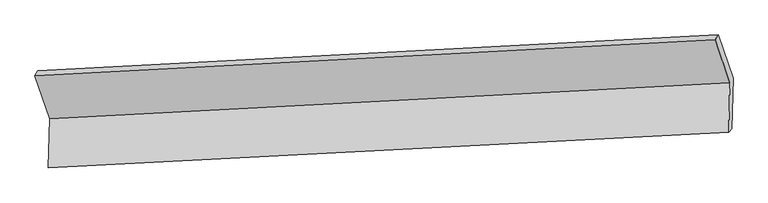
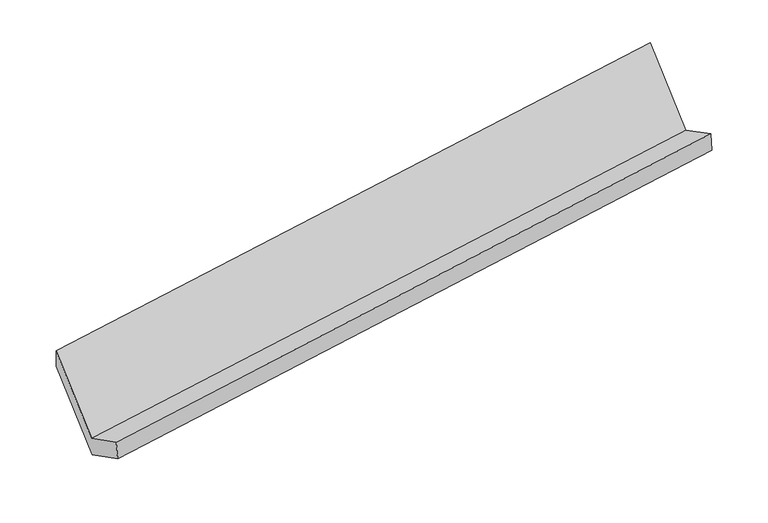
"""IFC4 building model written with IfcOpenShell, lengths in millimetres: proxy geometry."""

import ifcopenshell
import ifcopenshell.guid

model = None  # the IFC model being written
_history = None  # IfcOwnerHistory: only IFC2X3 demands one
_inside = {}  # id of a spatial element -> (the spatial element, [elements in it])
_under = {}  # id of a project, library or spatial element -> (it, [spatial elements below it])
_declared = {}  # id of a project -> (the project, [libraries it declares])
_typed = {}  # id of a type object -> (the type object, [elements of that type])
_made_of = {}  # id of a material, layer set ... -> (it, [elements and type objects made of it])


def new_model(schema):
    """Start an empty IFC model of exactly this schema.

    Asked for "IFC4X3", IfcOpenShell would pick the latest addendum, in which some entities
    have other attributes; the version numbers below select the first issue.
    IFC2X3 requires an IfcOwnerHistory on every rooted entity: one is made here for all.
    """
    global model, _history
    if schema == "IFC4X3":
        model = ifcopenshell.file(schema_version=(4, 3, 0, 0))
    else:
        model = ifcopenshell.file(schema=schema)
    _inside.clear()
    _under.clear()
    _declared.clear()
    _typed.clear()
    _made_of.clear()
    _history = None
    if model.schema == "IFC2X3":
        org = make("IfcOrganization", Name="unknown")
        user = make(
            "IfcPersonAndOrganization",
            ThePerson=make("IfcPerson", FamilyName="unknown"),
            TheOrganization=org,
        )
        app = make(
            "IfcApplication",
            ApplicationDeveloper=org,
            Version="unknown",
            ApplicationFullName="unknown",
            ApplicationIdentifier="unknown",
        )
        _history = make(
            "IfcOwnerHistory",
            OwningUser=user,
            OwningApplication=app,
            ChangeAction="ADDED",
            CreationDate=0,
        )
    return model


def make(cls, **values):
    """One entity of the class cls with the attributes given. An attribute that is None is left unset."""
    return model.create_entity(
        cls, **{name: value for name, value in values.items() if value is not None}
    )


def rooted(cls, **values):
    """An entity with a GlobalId (a new one), such as an element, a storey or a relation."""
    return make(cls, GlobalId=ifcopenshell.guid.new(), OwnerHistory=_history, **values)


def si_unit(unit_type, name, prefix=None):
    """IfcSIUnit, for example si_unit("LENGTHUNIT", "METRE", prefix="MILLI")."""
    return make("IfcSIUnit", UnitType=unit_type, Prefix=prefix, Name=name)


def assignment(units):
    """IfcUnitAssignment: the units of a project."""
    return None if units is None else make("IfcUnitAssignment", Units=units)


def point(xyz):
    """IfcCartesianPoint."""
    return None if xyz is None else make("IfcCartesianPoint", Coordinates=xyz)


def direction(xyz):
    """IfcDirection."""
    return None if xyz is None else make("IfcDirection", DirectionRatios=xyz)


def frame(location, z_axis=None, x_axis=None):
    """IfcAxis2Placement3D, a coordinate frame: its origin and axes. An axis left out is left unset."""
    return make(
        "IfcAxis2Placement3D",
        Location=point(location),
        Axis=direction(z_axis),
        RefDirection=direction(x_axis),
    )


def origin():
    """The frame at (0, 0, 0) with its axes left unset."""
    return frame((0.0, 0.0, 0.0))


def place(relative_to, where):
    """IfcLocalPlacement: puts the frame where relative to a parent placement (None: the world)."""
    return make(
        "IfcLocalPlacement", PlacementRelTo=relative_to, RelativePlacement=where
    )


def context(
    kind, dimensions, precision=None, world=None, true_north=None, identifier=None
):
    """IfcGeometricRepresentationContext, for example the 3D "Model" context."""
    return make(
        "IfcGeometricRepresentationContext",
        ContextIdentifier=identifier,
        ContextType=kind,
        CoordinateSpaceDimension=dimensions,
        Precision=precision,
        WorldCoordinateSystem=world,
        TrueNorth=true_north,
    )


def project(units=None, contexts=None):
    """IfcProject with its units and contexts."""
    return rooted(
        "IfcProject",
        Name="project",
        RepresentationContexts=contexts,
        UnitsInContext=assignment(units),
    )


def spatial(cls, under=None, at=None, **own):
    """A site, building, storey or space (cls), placed at a placement, below another one or the project."""
    s = rooted(cls, ObjectPlacement=at, **own)
    if under is not None:
        _under.setdefault(under.id(), (under, []))[1].append(s)
    return s


def faces_of(points, faces, orient=None, outer=None):
    """IfcFace entities. A face is a list of loops; a loop is a list of indices into points, from 0.

    orient and outer hold one flag for each loop. By default every Orientation is true, the
    first loop of a face is its IfcFaceOuterBound and the others are IfcFaceBound.
    """
    made = []
    for i, loops in enumerate(faces):
        bounds = []
        for j, loop in enumerate(loops):
            is_outer = j == 0 if outer is None else outer[i][j]
            bounds.append(
                make(
                    "IfcFaceOuterBound" if is_outer else "IfcFaceBound",
                    Bound=make("IfcPolyLoop", Polygon=[points[k] for k in loop]),
                    Orientation=True if orient is None else orient[i][j],
                )
            )
        made.append(make("IfcFace", Bounds=bounds))
    return made


def faceted_brep(points, faces, orient=None, outer=None, voids=None):
    """IfcFacetedBrep: a solid bounded by flat faces; with voids (closed shells), ...WithVoids."""
    shared = [point(p) for p in points]
    hull = make("IfcClosedShell", CfsFaces=faces_of(shared, faces, orient, outer))
    if voids is None:
        return make("IfcFacetedBrep", Outer=hull)
    return make(
        "IfcFacetedBrepWithVoids",
        Outer=hull,
        Voids=[
            make(cls, CfsFaces=faces_of(shared, fs, o, b)) for cls, fs, o, b in voids
        ],
    )


def shape(context_of_items, identifier, shape_type, items):
    """IfcShapeRepresentation: the items that make up one representation, for example the "Body"."""
    return make(
        "IfcShapeRepresentation",
        ContextOfItems=context_of_items,
        RepresentationIdentifier=identifier,
        RepresentationType=shape_type,
        Items=items,
    )


def source(mapping_origin, context_of_items, identifier, shape_type, items):
    """IfcRepresentationMap: a shape defined once, which mapped items show again and again."""
    return make(
        "IfcRepresentationMap",
        MappingOrigin=mapping_origin,
        MappedRepresentation=shape(context_of_items, identifier, shape_type, items),
    )


def transform(
    local_origin,
    x_axis=None,
    y_axis=None,
    z_axis=None,
    scale=None,
    scale2=None,
    scale3=None,
    uniform=True,
):
    """IfcCartesianTransformationOperator3D, or its non-uniform kind. x_axis, y_axis, z_axis: its Axis1, 2, 3."""
    if uniform:
        return make(
            "IfcCartesianTransformationOperator3D",
            Axis1=direction(x_axis),
            Axis2=direction(y_axis),
            LocalOrigin=point(local_origin),
            Scale=scale,
            Axis3=direction(z_axis),
        )
    return make(
        "IfcCartesianTransformationOperator3DnonUniform",
        Axis1=direction(x_axis),
        Axis2=direction(y_axis),
        LocalOrigin=point(local_origin),
        Scale=scale,
        Axis3=direction(z_axis),
        Scale2=scale2,
        Scale3=scale3,
    )


def mapped(mapping_source, mapping_target):
    """IfcMappedItem: shows the shape of a source again, moved by a transform."""
    return make(
        "IfcMappedItem", MappingSource=mapping_source, MappingTarget=mapping_target
    )


def made_of(thing, what):
    """Note that an element or type object is made of a material, layer set ...; save() writes the relation."""
    if what is not None:
        _made_of.setdefault(what.id(), (what, []))[1].append(thing)
    return thing


def element(
    cls,
    number,
    at=None,
    inside=None,
    cuts=None,
    type_object=None,
    material=None,
    context=None,
    identifier="Body",
    shape_type=None,
    held_by="IfcProductDefinitionShape",
    body=None,
    shapes=None,
    **own,
):
    """One element of the class cls, such as IfcWall. Its Tag is "e" and its number.

    at: its placement. inside: the storey or other place that contains it. cuts: it is an
    opening in that element (IfcRelVoidsElement). A single representation is given by context,
    identifier, shape_type and body (its items); several are given by shapes. held_by: the class
    of the entity that holds the representations. save() writes the other relations.
    """
    e = rooted(cls, Tag="e%d" % number, ObjectPlacement=at, **own)
    if body is not None:
        shapes = [shape(context, identifier, shape_type, body)]
    if shapes is not None:
        e.Representation = make(held_by, Representations=shapes)
    if inside is not None:
        _inside.setdefault(inside.id(), (inside, []))[1].append(e)
    if cuts is not None:
        rooted(
            "IfcRelVoidsElement", RelatingBuildingElement=cuts, RelatedOpeningElement=e
        )
    if type_object is not None:
        _typed.setdefault(type_object.id(), (type_object, []))[1].append(e)
    return made_of(e, material)


def aggregate(whole, parts):
    """IfcRelAggregates: a whole, such as a stair, and the parts it consists of."""
    return rooted("IfcRelAggregates", RelatingObject=whole, RelatedObjects=parts)


def save(model, path):
    """Write the relations noted so far, then the file.

    IfcRelAggregates (storeys below a building ...), IfcRelContainedInSpatialStructure (elements
    in a storey), IfcRelDefinesByType, IfcRelAssociatesMaterial and IfcRelDeclares: one each for
    every whole, place, type object, material and project.
    """
    for whole, parts in _under.values():
        aggregate(whole, parts)
    for where, things in _inside.values():
        rooted(
            "IfcRelContainedInSpatialStructure",
            RelatedElements=things,
            RelatingStructure=where,
        )
    for kind, things in _typed.values():
        rooted("IfcRelDefinesByType", RelatedObjects=things, RelatingType=kind)
    for what, things in _made_of.values():
        rooted("IfcRelAssociatesMaterial", RelatedObjects=things, RelatingMaterial=what)
    for by, libraries in _declared.values():
        rooted("IfcRelDeclares", RelatingContext=by, RelatedDefinitions=libraries)
    model.write(path)


def generic_models_cca486b4(model_context):
    return source(origin(), model_context, "Body", "Brep", [
        faceted_brep([(-5263.4684324, -1633.5602487, 1389.6093284), (-5271.2003229, -1985.4270078, 1573.6516434), (-413.9416672, -1729.6414339, 2299.1138098), (-406.2097767, -1377.7746748, 2115.0714948), (-5248.5336078, -1963.0774076, 1413.8908847), (-391.2749521, -1707.2918337, 2139.3530511), (-5240.5866776, -1601.4245124, 1224.7299754), (-383.3280219, -1345.6389385, 1950.1921418), (-5346.1083952, -1291.5642952, 1812.712299), (-488.8497394, -1035.7787213, 2538.1744654), (-5367.9941123, -1326.6248552, 1972.0415858), (-510.7354566, -1070.8392814, 2697.5037522)], [[[0, 1, 2, 3]], [[1, 4, 5, 2]], [[4, 6, 7, 5]], [[6, 8, 9, 7]], [[8, 10, 11, 9]], [[10, 0, 3, 11]], [[9, 11, 3, 2, 5, 7]], [[0, 10, 8, 6, 4, 1]]]),
    ])


if __name__ == "__main__":
    model = new_model("IFC4")
    model_context = context("Model", 3, world=origin())
    ifc_project = project(units=[si_unit("LENGTHUNIT", "METRE", prefix="MILLI")], contexts=[model_context])
    site = spatial("IfcSite", under=ifc_project)
    building = spatial("IfcBuilding", under=site)
    placement = place(None, origin())
    generic_models_shape = generic_models_cca486b4(model_context)
    element("IfcBuildingElementProxy", 1, Name="Generic Models", at=placement, inside=building, context=model_context, shape_type="MappedRepresentation", body=[
        mapped(generic_models_shape, transform((0.0, 0.0, 0.0), x_axis=(1.0, 0.0, 0.0), y_axis=(0.0, 1.0, 0.0), z_axis=(0.0, 0.0, 1.0))),
    ])
    save(model, "model.ifc")
